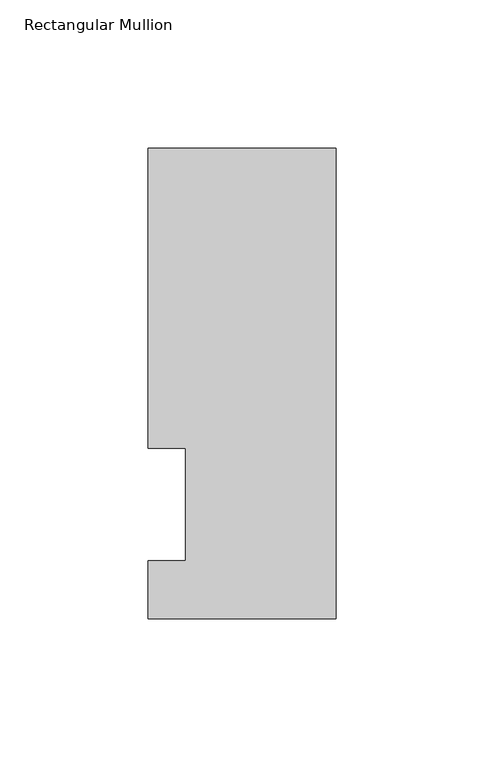
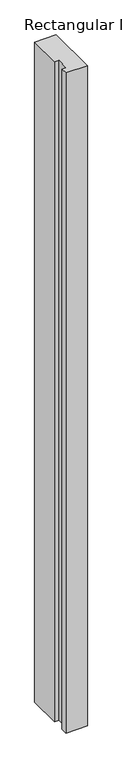
"""IFC4 building model written with IfcOpenShell, lengths in millimetres: member geometry, Rectangular Mullion."""

from ifc_helpers import new_model, si_unit, frame, origin, place, context, project, spatial, polyline, outline, extrude, source, transform, mapped, element, save


def rectangular_mullion_1c130c7c(model_context):
    return source(origin(), model_context, "Body", "SweptSolid", [
        extrude(outline(polyline([(-19.05, 57.94375), (-31.75, 57.94375), (-31.75, 159.13735), (31.75, 159.13735), (31.75, 0.3207568), (-31.75, 0.3207568), (-31.75, 19.8533568), (-19.05, 19.8533568), (-19.05, 57.94375)])), frame((0.0, 0.0, -2057.4), z_axis=(0.0, 0.0, 1.0), x_axis=(1.0, 0.0, 0.0)), (0.0, 0.0, 1.0), 2057.4),
    ])


if __name__ == "__main__":
    model = new_model("IFC4")
    model_context = context("Model", 3, world=origin())
    ifc_project = project(units=[si_unit("LENGTHUNIT", "METRE", prefix="MILLI")], contexts=[model_context])
    site = spatial("IfcSite", under=ifc_project)
    building = spatial("IfcBuilding", under=site)
    placement = place(None, origin())
    rectangular_mullion_shape = rectangular_mullion_1c130c7c(model_context)
    element("IfcMember", 1, ObjectType="Rectangular Mullion", at=placement, inside=building, context=model_context, shape_type="MappedRepresentation", body=[
        mapped(rectangular_mullion_shape, transform((0.0, 0.0, 0.0), x_axis=(1.0, 0.0, 0.0), y_axis=(0.0, 1.0, 0.0), z_axis=(0.0, 0.0, 1.0))),
    ])
    save(model, "model.ifc")
